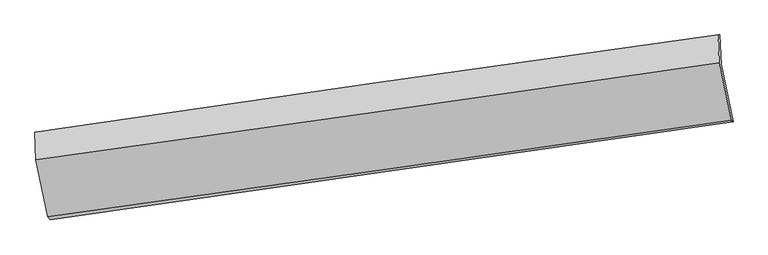
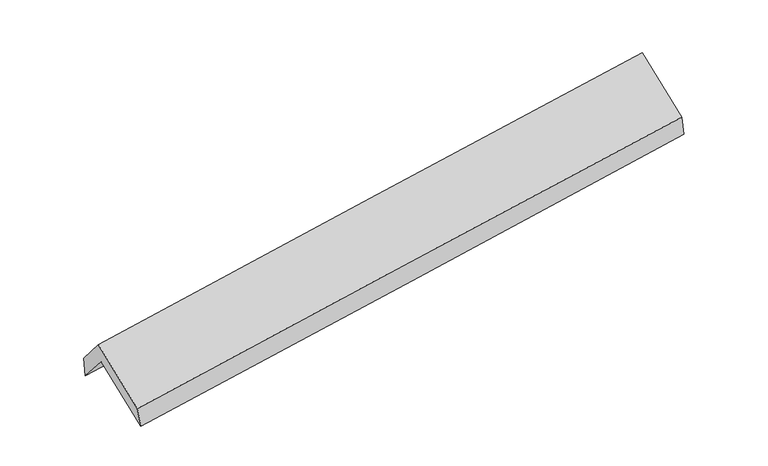
"""IFC4 building model written with IfcOpenShell, lengths in millimetres: proxy geometry."""

from ifc_helpers import new_model, si_unit, frame, origin, place, context, project, spatial, source, transform, mapped, element, save
from ifc_brep_helpers import plane_surface, spline_curve, spline_surface, advanced_brep


def generic_models_3c555a67(model_context):
    return source(origin(), model_context, "Body", "AdvancedBrep", [
        advanced_brep(
        [(-2904.1911637, -2507.9823663, 1448.3909086), (-3009.3409978, -2005.620785, 1866.7686953), (2948.9212117, -1149.795609, 2365.4717113), (3053.4984202, -1649.4214266, 1949.3723289), (-3020.5349743, -1745.2310651, 1561.8484122), (2939.1698282, -894.7615701, 2052.2166009), (-3036.668956, -1743.0758867, 1752.5899354), (2922.4749051, -894.0971668, 2252.2341633), (-3027.2046039, -1981.5067617, 2041.2612996), (2932.096033, -1136.4776195, 2545.6873327), (-2922.7546509, -2480.5246061, 1625.6682507), (3037.3399702, -1639.2887853, 2126.9351221)],
        [
            (0, 1),
            (1, 2, spline_curve(3, [(-3009.3409978, -2005.620785, 1866.7686953), (-2016.843704143, -1857.505718428, 1947.172289932), (-1024.071371403, -1712.129167523, 2028.932830706), (962.016035868, -1426.854148987, 2195.167189364), (1955.331106114, -1286.955641725, 2279.640987473), (2948.9212117, -1149.795609, 2365.4717113)], [4, 2, 4], [0.0, 9.908286025469057, 19.816498841528592])),
            (2, 3),
            (3, 0, spline_curve(3, [(3053.4984202, -1649.4214266, 1949.3723289), (2060.90939519, -1791.36420022, 1859.558433172), (1068.142585538, -1933.882065854, 1772.903176091), (-917.753939968, -2220.069037025, 1605.909322372), (-1910.883658265, -2363.738151664, 1525.570772685), (-2904.1911637, -2507.9823663, 1448.3909086)], [4, 2, 4], [0.0, 9.908212816059535, 19.816498841528592])),
            (1, 4),
            (4, 5, spline_curve(3, [(-3020.5349743, -1745.2310651, 1561.8484122), (-2027.32120789, -1599.667669442, 1637.929611543), (-1034.070422757, -1456.013258901, 1716.834387951), (952.497845446, -1172.523455214, 1880.290492782), (1945.815327944, -1032.688034412, 1964.841778752), (2939.1698282, -894.7615701, 2052.2166009)], [4, 2, 4], [0.0, 9.908271620153421, 19.816470031003757])),
            (5, 2),
            (4, 6),
            (6, 7, spline_curve(3, [(-3036.668956, -1743.0758867, 1752.5899354), (-2043.835798141, -1596.126383864, 1830.915629027), (-1050.822062234, -1451.903154298, 1911.715657937), (935.559227413, -1168.910288181, 2078.263770173), (1928.926778623, -1030.140610991, 2164.011817585), (2922.4749051, -894.0971668, 2252.2341633)], [4, 2, 4], [0.0, 9.908271737505483, 19.816470265707014])),
            (7, 5),
            (6, 8),
            (8, 9, spline_curve(3, [(-3027.2046039, -1981.5067617, 2041.2612996), (-2034.038564186, -1842.943394445, 2129.740197051), (-1040.845323148, -1703.242351523, 2216.015295444), (945.588222935, -1421.565953893, 2384.157273978), (1938.828527363, -1279.59061622, 2466.024186353), (2932.096033, -1136.4776195, 2545.6873327)], [4, 2, 4], [0.0, 9.90820197593967, 19.816330743090838])),
            (9, 7),
            (8, 10),
            (10, 11, spline_curve(3, [(-2922.7546509, -2480.5246061, 1625.6682507), (-1929.720943142, -2341.329011749, 1714.673680954), (-936.527702322, -2201.627968758, 1800.948779467), (1050.17050713, -1921.216020786, 1968.037696045), (2043.675473175, -1780.505123855, 2048.851554805), (3037.3399702, -1639.2887853, 2126.9351221)], [4, 2, 4], [0.0, 9.908228747692714, 19.816384286399117])),
            (11, 9),
            (10, 0),
            (3, 11),
        ],
        [
            spline_surface(3, 3, [[(-2904.1911637, -2507.9823663, 1448.3909086), (-1910.883658115, -2363.738151619, 1525.570772809), (-917.753939894, -2220.069037148, 1605.909322514), (1068.142585465, -1933.882065732, 1772.903175949), (2060.909395171, -1791.364200332, 1859.558433027), (3053.4984202, -1649.4214266, 1949.3723289)], [(-2939.241108403, -2340.528505875, 1587.850170819), (-1946.203673511, -2194.994007273, 1666.104611888), (-953.193083753, -2050.755747222, 1746.917158565), (1032.767068902, -1764.872760203, 1913.657847101), (2025.716632137, -1623.228014124, 1999.585951183), (3018.639350693, -1482.879487396, 2088.072123046)], [(-2974.291053097, -2173.074645425, 1727.309433081), (-1981.523688898, -2026.249862904, 1806.63845101), (-988.632227532, -1881.442457294, 1887.924994615), (997.391552419, -1595.863454672, 2054.412518251), (1990.523869123, -1455.091827927, 2139.613469301), (2983.780281207, -1316.337548204, 2226.771917154)], [(-3009.3409978, -2005.620785, 1866.7686953), (-2016.843704293, -1857.505718558, 1947.17229009), (-1024.071371391, -1712.129167368, 2028.932830666), (962.016035856, -1426.854149143, 2195.167189403), (1955.331106089, -1286.955641719, 2279.640987457), (2948.9212117, -1149.795609, 2365.4717113)]], [4, 4], [4, 2, 4], [0.0, 2.194611578063424], [0.0, 9.908286025469057, 19.816498841528592]),
            spline_surface(3, 3, [[(-3009.3409978, -2005.620785, 1866.7686953), (-2016.843704293, -1857.505718558, 1947.17229009), (-1024.071371391, -1712.129167368, 2028.932830666), (962.016035856, -1426.854149143, 2195.167189403), (1955.331106089, -1286.955641719, 2279.640987457), (2948.9212117, -1149.795609, 2365.4717113)], [(-3013.072323292, -1918.824211671, 1765.128600934), (-2020.336205436, -1771.559702142, 1844.091397188), (-1027.404388479, -1626.757197855, 1924.900016467), (958.843305699, -1342.077251219, 2090.208290509), (1952.15917998, -1202.199772567, 2174.707917939), (2945.670750518, -1064.784262697, 2261.053341174)], [(-3016.803648808, -1832.027638429, 1663.488506566), (-2023.828706604, -1685.613685811, 1741.010504285), (-1030.737405587, -1541.385228299, 1820.867202241), (955.670575521, -1257.300353253, 1985.249391586), (1948.987253918, -1117.443903424, 2069.774848401), (2942.420289382, -979.772916403, 2156.634971026)], [(-3020.5349743, -1745.2310651, 1561.8484122), (-2027.321207747, -1599.667669395, 1637.929611383), (-1034.070422675, -1456.013258786, 1716.834388042), (952.497845364, -1172.523455329, 1880.290492691), (1945.815327809, -1032.688034273, 1964.841778884), (2939.1698282, -894.7615701, 2052.2166009)]], [4, 4], [4, 2, 4], [0.0, 1.3266469425778127], [0.0, 9.908271620153421, 19.816470031003757]),
            spline_surface(3, 3, [[(-3020.5349743, -1745.2310651, 1561.8484122), (-2027.321207747, -1599.667669395, 1637.929611383), (-1034.070422675, -1456.013258786, 1716.834388042), (952.497845364, -1172.523455329, 1880.290492691), (1945.815327809, -1032.688034273, 1964.841778884), (2939.1698282, -894.7615701, 2052.2166009)], [(-3025.912968199, -1744.512672304, 1625.428919952), (-2032.826071239, -1598.487240886, 1702.258283943), (-1039.654302548, -1454.643224, 1781.79481128), (946.851639384, -1171.31906625, 1946.28158522), (1940.185811395, -1031.838893153, 2031.231791745), (2933.604853858, -894.540102351, 2118.889121685)], [(-3031.290962101, -1743.794279496, 1689.009427648), (-2038.330934734, -1597.306812363, 1766.586956446), (-1045.238182396, -1453.273189193, 1846.755234556), (941.205433428, -1170.114677151, 2012.272677788), (1934.556294907, -1030.989751981, 2097.62180465), (2928.039879442, -894.318634549, 2185.561642515)], [(-3036.668956, -1743.0758867, 1752.5899354), (-2043.835798226, -1596.126383854, 1830.915629005), (-1050.822062269, -1451.903154406, 1911.715657794), (935.559227448, -1168.910288073, 2078.263770316), (1928.926778494, -1030.140610862, 2164.011817512), (2922.4749051, -894.0971668, 2252.2341633)]], [4, 4], [4, 2, 4], [0.0, 0.6469358730296826], [0.0, 9.908271737505483, 19.816470265707014]),
            spline_surface(3, 3, [[(-3036.668956, -1743.0758867, 1752.5899354), (-2043.835798226, -1596.126383854, 1830.915629005), (-1050.822062269, -1451.903154406, 1911.715657794), (935.559227448, -1168.910288073, 2078.263770316), (1928.926778494, -1030.140610862, 2164.011817512), (2922.4749051, -894.0971668, 2252.2341633)], [(-3033.514171969, -1822.55284503, 1848.813723476), (-2040.570053535, -1678.398720766, 1930.523818322), (-1047.496482538, -1535.682886749, 2013.148870381), (938.902225959, -1253.12884335, 2180.228271542), (1932.227361498, -1113.290612676, 2264.68260715), (2925.681947735, -974.890651032, 2350.051886425)], [(-3030.359387931, -1902.02980337, 1945.037511524), (-2037.304308838, -1760.671057689, 2030.132007609), (-1044.170902865, -1619.46261913, 2114.582082904), (942.24522441, -1337.347398666, 2282.192772705), (1935.527944498, -1196.440614493, 2365.353396814), (2928.888990365, -1055.684135268, 2447.869609575)], [(-3027.2046039, -1981.5067617, 2041.2612996), (-2034.038564147, -1842.943394601, 2129.740196925), (-1040.845323134, -1703.242351473, 2216.015295491), (945.588222921, -1421.565953943, 2384.157273931), (1938.828527502, -1279.590616308, 2466.024186453), (2932.096033, -1136.4776195, 2545.6873327)]], [4, 4], [4, 2, 4], [0.0, 1.298676759159841], [0.0, 9.90820197593967, 19.816330743090838]),
            spline_surface(3, 3, [[(-3027.2046039, -1981.5067617, 2041.2612996), (-2034.038564147, -1842.943394601, 2129.740196925), (-1040.845323134, -1703.242351473, 2216.015295491), (945.588222921, -1421.565953943, 2384.157273931), (1938.828527502, -1279.590616308, 2466.024186453), (2932.096033, -1136.4776195, 2545.6873327)], [(-2992.387952898, -2147.846043168, 1902.730283279), (-1999.266023863, -2009.071933656, 1991.384691526), (-1006.07278285, -1869.370890528, 2077.659790092), (980.448984314, -1588.115976268, 2245.450747984), (1973.777509353, -1446.562118788, 2326.966642551), (2967.177345374, -1304.081341436, 2406.103262515)], [(-2957.571301902, -2314.185324632, 1764.199267021), (-1964.493483584, -2175.200472706, 1853.029186191), (-971.300242571, -2035.499429578, 1939.304284757), (1015.309745702, -1754.665998587, 2106.744222101), (2008.726491282, -1613.533621262, 2187.909098605), (3002.258657826, -1471.685063364, 2266.519192285)], [(-2922.7546509, -2480.5246061, 1625.6682507), (-1929.7209433, -2341.32901176, 1714.673680792), (-936.527702287, -2201.627968632, 1800.948779358), (1050.170507096, -1921.216020912, 1968.037696154), (2043.675473133, -1780.505123742, 2048.851554703), (3037.3399702, -1639.2887853, 2126.9351221)]], [4, 4], [4, 2, 4], [0.0, 2.1580001475019692], [0.0, 9.908228747692714, 19.816384286399117]),
            spline_surface(3, 3, [[(-2922.7546509, -2480.5246061, 1625.6682507), (-1929.7209433, -2341.32901176, 1714.673680792), (-936.527702287, -2201.627968632, 1800.948779358), (1050.170507096, -1921.216020912, 1968.037696154), (2043.675473133, -1780.505123742, 2048.851554703), (3037.3399702, -1639.2887853, 2126.9351221)], [(-2916.566821839, -2489.677192851, 1566.57580334), (-1923.441848244, -2348.798725065, 1651.639378138), (-930.269781483, -2207.77499146, 1735.93562708), (1056.161199892, -1925.438035842, 1902.992856089), (2049.420113834, -1784.124815926, 1985.753847467), (3042.726120222, -1642.666332388, 2067.747524356)], [(-2910.378992761, -2498.829779549, 1507.48335596), (-1917.162753171, -2356.268438315, 1588.605075463), (-924.011860699, -2213.92201432, 1670.922474792), (1062.151892668, -1929.660050802, 1837.948016014), (2055.164754469, -1787.744508148, 1922.656140264), (3048.112270178, -1646.043879512, 2008.559926644)], [(-2904.1911637, -2507.9823663, 1448.3909086), (-1910.883658115, -2363.738151619, 1525.570772809), (-917.753939894, -2220.069037148, 1605.909322514), (1068.142585465, -1933.882065732, 1772.903175949), (2060.909395171, -1791.364200332, 1859.558433027), (3053.4984202, -1649.4214266, 1949.3723289)]], [4, 4], [4, 2, 4], [0.0, 0.6449033998963284], [0.0, 9.908207003178147, 19.816340797530643]),
            plane_surface(frame((2972.2500614, -1227.3070295, 2215.3195432), z_axis=(0.9869878350438737, 0.1383613579352322, 0.08192159730941356), x_axis=(0.1587968232710027, -0.7586642805159282, -0.6318323182524672))),
            plane_surface(frame((-2986.7825578, -2077.3235785, 1716.087917), z_axis=(-0.986987835043876, -0.13836135793520993, -0.08192159730942289), x_axis=(-0.10293087180930555, 0.15224786017616254, 0.9829678655481857))),
        ],
        [
            (0, [[1, 2, 3, 4]]),
            (1, [[5, 6, 7, -2]]),
            (2, [[8, 9, 10, -6]]),
            (3, [[11, 12, 13, -9]]),
            (4, [[14, 15, 16, -12]]),
            (5, [[17, -4, 18, -15]]),
            (6, [[-16, -18, -3, -7, -10, -13]]),
            (7, [[-17, -14, -11, -8, -5, -1]]),
        ],
    ),
    ])


if __name__ == "__main__":
    model = new_model("IFC4")
    model_context = context("Model", 3, world=origin())
    ifc_project = project(units=[si_unit("LENGTHUNIT", "METRE", prefix="MILLI")], contexts=[model_context])
    site = spatial("IfcSite", under=ifc_project)
    building = spatial("IfcBuilding", under=site)
    placement = place(None, origin())
    generic_models_shape = generic_models_3c555a67(model_context)
    element("IfcBuildingElementProxy", 1, Name="Generic Models", at=placement, inside=building, context=model_context, shape_type="MappedRepresentation", body=[
        mapped(generic_models_shape, transform((0.0, 0.0, 0.0), x_axis=(1.0, 0.0, 0.0), y_axis=(0.0, 1.0, 0.0), z_axis=(0.0, 0.0, 1.0))),
    ])
    save(model, "model.ifc")
